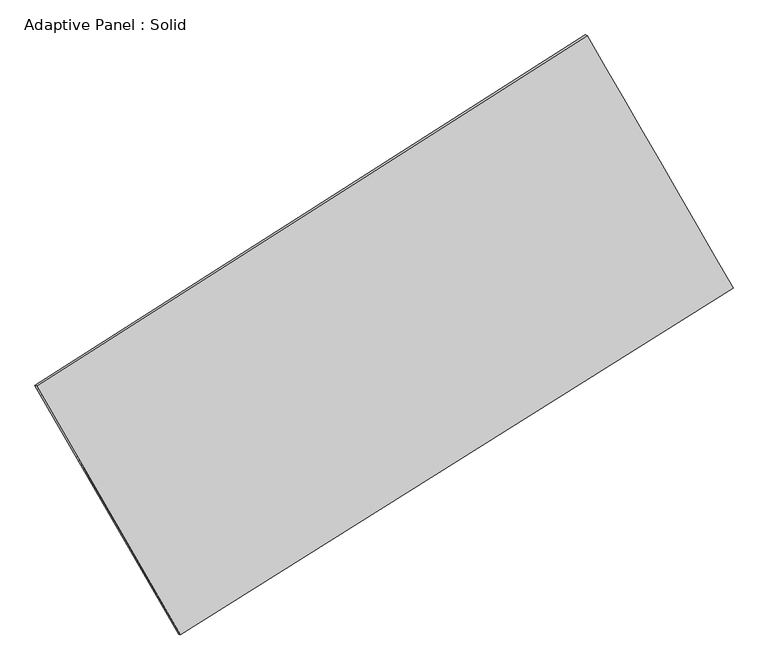
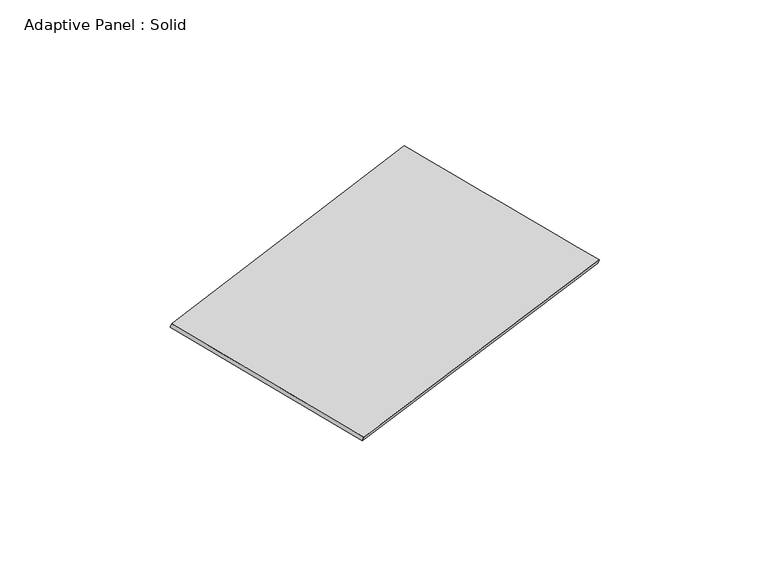
"""IFC4 building model written with IfcOpenShell, lengths in millimetres: plate geometry, Adaptive Panel : Solid."""

from ifc_helpers import new_model, si_unit, frame, origin, place, context, project, spatial, source, transform, mapped, element, save
from ifc_brep_helpers import plane_surface, spline_surface, advanced_brep


def adaptive_panel_solid_0d7fd5fc(model_context):
    return source(origin(), model_context, "Body", "AdvancedBrep", [
        advanced_brep(
        [(1144.8607638, 2562.6092045, 670.5767095), (-3729.7706849, -542.1391995, 1768.3844354), (-3715.104329, -548.5192929, 1815.7573435), (1159.5271196, 2556.229111, 717.9496175), (-2456.8045328, -2747.7020823, 1070.4035306), (-2442.1381769, -2754.0821757, 1117.7764386), (2438.4238757, 326.9835044, -24.2421553), (2453.0902315, 320.6034109, 23.1307527)],
        [
            (0, 1),
            (1, 2),
            (2, 3),
            (3, 0),
            (1, 4),
            (4, 5),
            (5, 2),
            (4, 6),
            (6, 7),
            (7, 5),
            (6, 0),
            (3, 7),
        ],
        [
            plane_surface(frame((-1292.4549605, 1010.2350025, 1219.4805725), z_axis=(-0.476229902389637, 0.8398341201143439, 0.2605450647425942), x_axis=(-0.8286322678293294, -0.5277721481320365, 0.18661490928679372))),
            plane_surface(frame((-3093.2876088, -1644.9206409, 1419.393983), z_axis=(-0.8251340076734304, -0.5343058202980532, 0.1834970293394632), x_axis=(0.48209673084139215, -0.8352890245262918, -0.26433877433694475))),
            plane_surface(frame((-9.1903285, -1210.3592889, 523.0806876), z_axis=(0.4713985916639175, -0.8428899241070239, -0.2594608710694756), x_axis=(0.8320310363286382, 0.5225974401178669, -0.18605448172012684))),
            plane_surface(frame((1791.6423197, 1444.7963544, 323.1672771), z_axis=(0.8250704080340784, 0.5344158740869465, -0.1834625174534693), x_axis=(-0.48362649735904567, 0.8358369350585988, 0.25977303371225563))),
            spline_surface(1, 1, [[(-3715.104329, -548.5192929, 1815.7573435), (1159.5271196, 2556.229111, 717.9496175)], [(-2442.1381769, -2754.0821757, 1117.7764386), (2453.0902315, 320.6034109, 23.1307527)]], [2, 2], [2, 2], [0.0, 1.0], [0.0, 1.0]),
            spline_surface(1, 1, [[(2438.4238757, 326.9835044, -24.2421553), (1144.8607638, 2562.6092045, 670.5767095)], [(-2456.8045328, -2747.7020823, 1070.4035306), (-3729.7706849, -542.1391995, 1768.3844354)]], [2, 2], [2, 2], [0.0, 1.0], [0.0, 1.0]),
        ],
        [
            (0, [[1, 2, 3, 4]]),
            (1, [[5, 6, 7, -2]]),
            (2, [[8, 9, 10, -6]]),
            (3, [[11, -4, 12, -9]]),
            (4, [[-3, -7, -10, -12]]),
            (5, [[-11, -8, -5, -1]]),
        ],
    ),
    ])


if __name__ == "__main__":
    model = new_model("IFC4")
    model_context = context("Model", 3, world=origin())
    ifc_project = project(units=[si_unit("LENGTHUNIT", "METRE", prefix="MILLI")], contexts=[model_context])
    site = spatial("IfcSite", under=ifc_project)
    building = spatial("IfcBuilding", under=site)
    placement = place(None, origin())
    adaptive_panel_solid_shape = adaptive_panel_solid_0d7fd5fc(model_context)
    element("IfcPlate", 1, ObjectType="Adaptive Panel : Solid", at=placement, inside=building, context=model_context, shape_type="MappedRepresentation", body=[
        mapped(adaptive_panel_solid_shape, transform((0.0, 0.0, 0.0), x_axis=(1.0, 0.0, 0.0), y_axis=(0.0, 1.0, 0.0), z_axis=(0.0, 0.0, 1.0))),
    ])
    save(model, "model.ifc")
